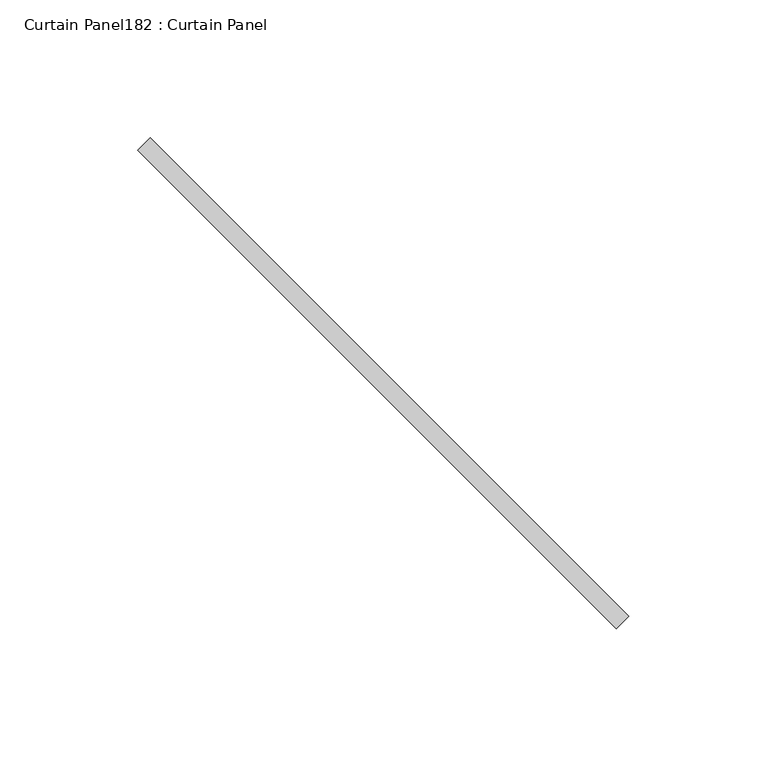
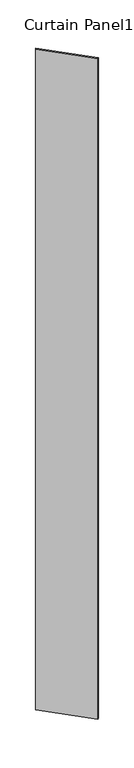
"""IFC4 building model written with IfcOpenShell, lengths in millimetres: plate geometry, Curtain Panel182 : Curtain Panel."""

import ifcopenshell
import ifcopenshell.guid

model = None  # the IFC model being written
_history = None  # IfcOwnerHistory: only IFC2X3 demands one
_inside = {}  # id of a spatial element -> (the spatial element, [elements in it])
_under = {}  # id of a project, library or spatial element -> (it, [spatial elements below it])
_declared = {}  # id of a project -> (the project, [libraries it declares])
_typed = {}  # id of a type object -> (the type object, [elements of that type])
_made_of = {}  # id of a material, layer set ... -> (it, [elements and type objects made of it])


def new_model(schema):
    """Start an empty IFC model of exactly this schema.

    Asked for "IFC4X3", IfcOpenShell would pick the latest addendum, in which some entities
    have other attributes; the version numbers below select the first issue.
    IFC2X3 requires an IfcOwnerHistory on every rooted entity: one is made here for all.
    """
    global model, _history
    if schema == "IFC4X3":
        model = ifcopenshell.file(schema_version=(4, 3, 0, 0))
    else:
        model = ifcopenshell.file(schema=schema)
    _inside.clear()
    _under.clear()
    _declared.clear()
    _typed.clear()
    _made_of.clear()
    _history = None
    if model.schema == "IFC2X3":
        org = make("IfcOrganization", Name="unknown")
        user = make(
            "IfcPersonAndOrganization",
            ThePerson=make("IfcPerson", FamilyName="unknown"),
            TheOrganization=org,
        )
        app = make(
            "IfcApplication",
            ApplicationDeveloper=org,
            Version="unknown",
            ApplicationFullName="unknown",
            ApplicationIdentifier="unknown",
        )
        _history = make(
            "IfcOwnerHistory",
            OwningUser=user,
            OwningApplication=app,
            ChangeAction="ADDED",
            CreationDate=0,
        )
    return model


def make(cls, **values):
    """One entity of the class cls with the attributes given. An attribute that is None is left unset."""
    return model.create_entity(
        cls, **{name: value for name, value in values.items() if value is not None}
    )


def rooted(cls, **values):
    """An entity with a GlobalId (a new one), such as an element, a storey or a relation."""
    return make(cls, GlobalId=ifcopenshell.guid.new(), OwnerHistory=_history, **values)


def si_unit(unit_type, name, prefix=None):
    """IfcSIUnit, for example si_unit("LENGTHUNIT", "METRE", prefix="MILLI")."""
    return make("IfcSIUnit", UnitType=unit_type, Prefix=prefix, Name=name)


def assignment(units):
    """IfcUnitAssignment: the units of a project."""
    return None if units is None else make("IfcUnitAssignment", Units=units)


def point(xyz):
    """IfcCartesianPoint."""
    return None if xyz is None else make("IfcCartesianPoint", Coordinates=xyz)


def direction(xyz):
    """IfcDirection."""
    return None if xyz is None else make("IfcDirection", DirectionRatios=xyz)


def frame(location, z_axis=None, x_axis=None):
    """IfcAxis2Placement3D, a coordinate frame: its origin and axes. An axis left out is left unset."""
    return make(
        "IfcAxis2Placement3D",
        Location=point(location),
        Axis=direction(z_axis),
        RefDirection=direction(x_axis),
    )


def origin():
    """The frame at (0, 0, 0) with its axes left unset."""
    return frame((0.0, 0.0, 0.0))


def place(relative_to, where):
    """IfcLocalPlacement: puts the frame where relative to a parent placement (None: the world)."""
    return make(
        "IfcLocalPlacement", PlacementRelTo=relative_to, RelativePlacement=where
    )


def context(
    kind, dimensions, precision=None, world=None, true_north=None, identifier=None
):
    """IfcGeometricRepresentationContext, for example the 3D "Model" context."""
    return make(
        "IfcGeometricRepresentationContext",
        ContextIdentifier=identifier,
        ContextType=kind,
        CoordinateSpaceDimension=dimensions,
        Precision=precision,
        WorldCoordinateSystem=world,
        TrueNorth=true_north,
    )


def project(units=None, contexts=None):
    """IfcProject with its units and contexts."""
    return rooted(
        "IfcProject",
        Name="project",
        RepresentationContexts=contexts,
        UnitsInContext=assignment(units),
    )


def spatial(cls, under=None, at=None, **own):
    """A site, building, storey or space (cls), placed at a placement, below another one or the project."""
    s = rooted(cls, ObjectPlacement=at, **own)
    if under is not None:
        _under.setdefault(under.id(), (under, []))[1].append(s)
    return s


def polyline(points):
    """IfcPolyline through the points."""
    return make("IfcPolyline", Points=[point(p) for p in points])


def outline(outer, holes=None, kind="AREA"):
    """IfcArbitraryClosedProfileDef: a profile drawn as a closed curve; with holes, ...WithVoids."""
    if holes is None:
        return make("IfcArbitraryClosedProfileDef", ProfileType=kind, OuterCurve=outer)
    return make(
        "IfcArbitraryProfileDefWithVoids",
        ProfileType=kind,
        OuterCurve=outer,
        InnerCurves=holes,
    )


def extrude(swept, where, along, depth):
    """IfcExtrudedAreaSolid: the profile swept, set in the frame where, extruded along a direction by depth."""
    return make(
        "IfcExtrudedAreaSolid",
        SweptArea=swept,
        Position=where,
        ExtrudedDirection=direction(along),
        Depth=depth,
    )


def shape(context_of_items, identifier, shape_type, items):
    """IfcShapeRepresentation: the items that make up one representation, for example the "Body"."""
    return make(
        "IfcShapeRepresentation",
        ContextOfItems=context_of_items,
        RepresentationIdentifier=identifier,
        RepresentationType=shape_type,
        Items=items,
    )


def source(mapping_origin, context_of_items, identifier, shape_type, items):
    """IfcRepresentationMap: a shape defined once, which mapped items show again and again."""
    return make(
        "IfcRepresentationMap",
        MappingOrigin=mapping_origin,
        MappedRepresentation=shape(context_of_items, identifier, shape_type, items),
    )


def transform(
    local_origin,
    x_axis=None,
    y_axis=None,
    z_axis=None,
    scale=None,
    scale2=None,
    scale3=None,
    uniform=True,
):
    """IfcCartesianTransformationOperator3D, or its non-uniform kind. x_axis, y_axis, z_axis: its Axis1, 2, 3."""
    if uniform:
        return make(
            "IfcCartesianTransformationOperator3D",
            Axis1=direction(x_axis),
            Axis2=direction(y_axis),
            LocalOrigin=point(local_origin),
            Scale=scale,
            Axis3=direction(z_axis),
        )
    return make(
        "IfcCartesianTransformationOperator3DnonUniform",
        Axis1=direction(x_axis),
        Axis2=direction(y_axis),
        LocalOrigin=point(local_origin),
        Scale=scale,
        Axis3=direction(z_axis),
        Scale2=scale2,
        Scale3=scale3,
    )


def mapped(mapping_source, mapping_target):
    """IfcMappedItem: shows the shape of a source again, moved by a transform."""
    return make(
        "IfcMappedItem", MappingSource=mapping_source, MappingTarget=mapping_target
    )


def made_of(thing, what):
    """Note that an element or type object is made of a material, layer set ...; save() writes the relation."""
    if what is not None:
        _made_of.setdefault(what.id(), (what, []))[1].append(thing)
    return thing


def element(
    cls,
    number,
    at=None,
    inside=None,
    cuts=None,
    type_object=None,
    material=None,
    context=None,
    identifier="Body",
    shape_type=None,
    held_by="IfcProductDefinitionShape",
    body=None,
    shapes=None,
    **own,
):
    """One element of the class cls, such as IfcWall. Its Tag is "e" and its number.

    at: its placement. inside: the storey or other place that contains it. cuts: it is an
    opening in that element (IfcRelVoidsElement). A single representation is given by context,
    identifier, shape_type and body (its items); several are given by shapes. held_by: the class
    of the entity that holds the representations. save() writes the other relations.
    """
    e = rooted(cls, Tag="e%d" % number, ObjectPlacement=at, **own)
    if body is not None:
        shapes = [shape(context, identifier, shape_type, body)]
    if shapes is not None:
        e.Representation = make(held_by, Representations=shapes)
    if inside is not None:
        _inside.setdefault(inside.id(), (inside, []))[1].append(e)
    if cuts is not None:
        rooted(
            "IfcRelVoidsElement", RelatingBuildingElement=cuts, RelatedOpeningElement=e
        )
    if type_object is not None:
        _typed.setdefault(type_object.id(), (type_object, []))[1].append(e)
    return made_of(e, material)


def aggregate(whole, parts):
    """IfcRelAggregates: a whole, such as a stair, and the parts it consists of."""
    return rooted("IfcRelAggregates", RelatingObject=whole, RelatedObjects=parts)


def save(model, path):
    """Write the relations noted so far, then the file.

    IfcRelAggregates (storeys below a building ...), IfcRelContainedInSpatialStructure (elements
    in a storey), IfcRelDefinesByType, IfcRelAssociatesMaterial and IfcRelDeclares: one each for
    every whole, place, type object, material and project.
    """
    for whole, parts in _under.values():
        aggregate(whole, parts)
    for where, things in _inside.values():
        rooted(
            "IfcRelContainedInSpatialStructure",
            RelatedElements=things,
            RelatingStructure=where,
        )
    for kind, things in _typed.values():
        rooted("IfcRelDefinesByType", RelatedObjects=things, RelatingType=kind)
    for what, things in _made_of.values():
        rooted("IfcRelAssociatesMaterial", RelatedObjects=things, RelatingMaterial=what)
    for by, libraries in _declared.values():
        rooted("IfcRelDeclares", RelatingContext=by, RelatedDefinitions=libraries)
    model.write(path)


def curtain_panel182_curtain_panel_d52cd9d7(model_context):
    return source(origin(), model_context, "Body", "SweptSolid", [
        extrude(outline(polyline([(586458.3568466, 2653.2911652), (586632.02267, 2479.6253418), (586627.5325419, 2475.1352137), (586453.8667185, 2648.8010372), (586458.3568466, 2653.2911652)])), frame((0.0, 0.0, 4959.7989371), z_axis=(0.0, 0.0, 1.0), x_axis=(1.0, 0.0, 0.0)), (0.0, 0.0, 1.0), 3048.0),
    ])


if __name__ == "__main__":
    model = new_model("IFC4")
    model_context = context("Model", 3, world=origin())
    ifc_project = project(units=[si_unit("LENGTHUNIT", "METRE", prefix="MILLI")], contexts=[model_context])
    site = spatial("IfcSite", under=ifc_project)
    building = spatial("IfcBuilding", under=site)
    placement = place(None, origin())
    curtain_panel182_curtain_panel_shape = curtain_panel182_curtain_panel_d52cd9d7(model_context)
    element("IfcPlate", 1, ObjectType="Curtain Panel182 : Curtain Panel", at=placement, inside=building, context=model_context, shape_type="MappedRepresentation", body=[
        mapped(curtain_panel182_curtain_panel_shape, transform((0.0, 0.0, 0.0), x_axis=(1.0, 0.0, 0.0), y_axis=(0.0, 1.0, 0.0), z_axis=(0.0, 0.0, 1.0))),
    ])
    save(model, "model.ifc")
